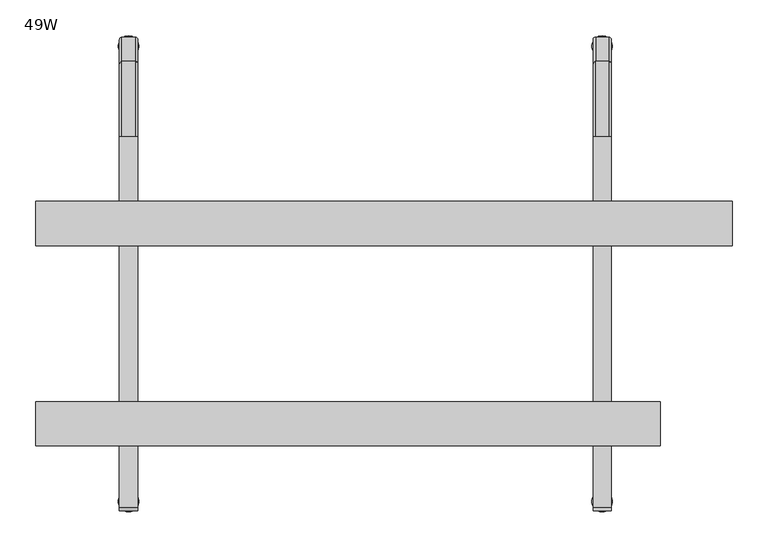
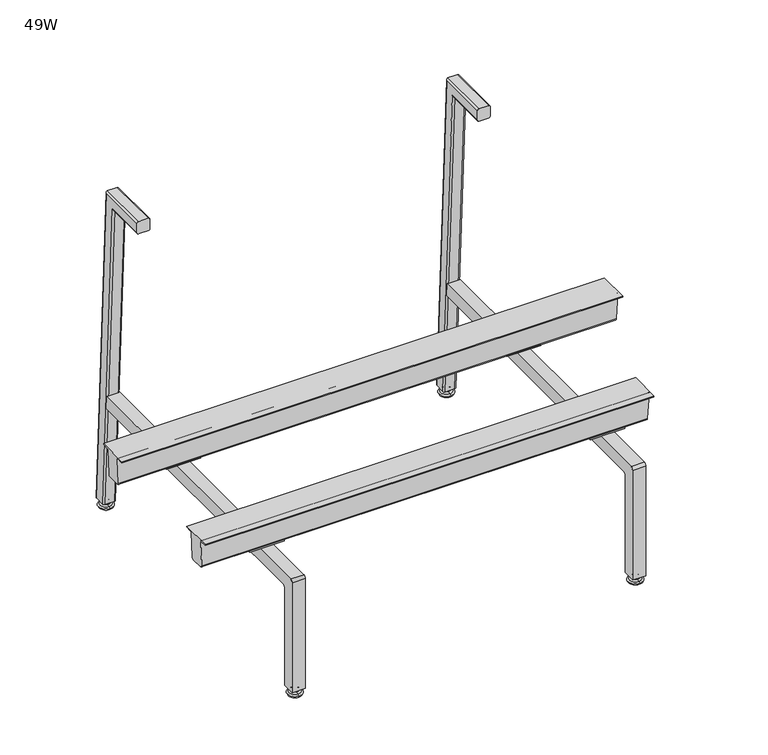
"""IFC4 building model written with IfcOpenShell, lengths in millimetres: furniture geometry, 49W."""

from ifc_helpers import new_model, si_unit, point, frame, frame_2d, origin, place, context, project, spatial, polyline, circle_curve, ellipse_curve, trimmed, segment, composite_curve, outline, extrude, source, transform, mapped, element, save
from ifc_brep_helpers import plane_surface, cylinder_surface, revolved_surface, advanced_brep


def furniture_49w_89318f02(model_context):
    return source(origin(), model_context, "Body", "SolidModel", [
        advanced_brep(
        [(889.0, -645.9431587, 14.8752118), (889.0, -652.5665699, 14.8752118), (889.0, -649.2548643, 14.8752118), (889.0, -645.3562211, 13.858606), (889.0, -653.1535076, 13.858606), (889.0, -641.3242474, 11.2402116), (889.0, -657.1854813, 11.2402116), (889.0, -641.3242474, 8.74896), (889.0, -657.1854813, 8.74896), (889.0, -642.9059165, 8.74896), (889.0, -655.6038121, 8.74896), (889.0, -638.0462975, 5.9432577), (889.0, -660.4634312, 5.9432577), (889.0, -634.8556417, 3.5556814), (889.0, -663.6540869, 3.5556814), (889.0, -636.908533, 0.0), (889.0, -661.6011957, 0.0), (889.0, -649.2548643, 0.0)],
        [
            (0, 1, circle_curve(frame((889.0, -649.2548643, 14.8752118), z_axis=(0.0, 0.0, 1.0), x_axis=(0.0, -1.0, 0.0)), 3.3117056)),
            (1, 2),
            (2, 0),
            (1, 0, circle_curve(frame((889.0, -649.2548643, 14.8752118), z_axis=(0.0, 0.0, 1.0), x_axis=(0.0, -1.0, 0.0)), 3.3117056)),
            (3, 4, circle_curve(frame((889.0, -649.2548643, 13.858606), z_axis=(0.0, 0.0, 1.0), x_axis=(0.0, -1.0, 0.0)), 3.8986433)),
            (4, 1),
            (0, 3),
            (4, 3, circle_curve(frame((889.0, -649.2548643, 13.858606), z_axis=(0.0, 0.0, 1.0), x_axis=(0.0, -1.0, 0.0)), 3.8986433)),
            (5, 6, circle_curve(frame((889.0, -649.2548643, 11.2402116), z_axis=(0.0, 0.0, 1.0), x_axis=(0.0, -1.0, 0.0)), 7.930617)),
            (6, 4),
            (3, 5),
            (6, 5, circle_curve(frame((889.0, -649.2548643, 11.2402116), z_axis=(0.0, 0.0, 1.0), x_axis=(0.0, -1.0, 0.0)), 7.930617)),
            (7, 8, circle_curve(frame((889.0, -649.2548643, 8.74896), z_axis=(0.0, 0.0, 1.0), x_axis=(0.0, -1.0, 0.0)), 7.930617)),
            (8, 6),
            (5, 7),
            (8, 7, circle_curve(frame((889.0, -649.2548643, 8.74896), z_axis=(0.0, 0.0, 1.0), x_axis=(0.0, -1.0, 0.0)), 7.930617)),
            (9, 10, circle_curve(frame((889.0, -649.2548643, 8.74896), z_axis=(0.0, 0.0, 1.0), x_axis=(0.0, -1.0, 0.0)), 6.3489478)),
            (10, 8),
            (7, 9),
            (10, 9, circle_curve(frame((889.0, -649.2548643, 8.74896), z_axis=(0.0, 0.0, 1.0), x_axis=(0.0, -1.0, 0.0)), 6.3489478)),
            (11, 12, circle_curve(frame((889.0, -649.2548643, 5.9432577), z_axis=(0.0, 0.0, 1.0), x_axis=(0.0, -1.0, 0.0)), 11.2085669)),
            (12, 10, circle_curve(frame((889.0, -660.1160571, 10.9529929), z_axis=(1.0, 0.0, 0.0), x_axis=(0.0, -1.0, 0.0)), 5.0217642)),
            (9, 11, circle_curve(frame((889.0, -638.3936715, 10.9529929), z_axis=(1.0, 0.0, 0.0), x_axis=(0.0, 1.0, 0.0)), 5.0217642)),
            (12, 11, circle_curve(frame((889.0, -649.2548643, 5.9432577), z_axis=(0.0, 0.0, 1.0), x_axis=(0.0, -1.0, 0.0)), 11.2085669)),
            (13, 14, circle_curve(frame((889.0, -649.2548643, 3.5556814), z_axis=(0.0, 0.0, 1.0), x_axis=(0.0, -1.0, 0.0)), 14.3992226)),
            (14, 12, circle_curve(frame((889.0, -660.6744794, 2.8995769), z_axis=(-1.0, 0.0, 0.0), x_axis=(0.0, -1.0, 0.0)), 3.050989)),
            (11, 13, circle_curve(frame((889.0, -637.8352492, 2.8995769), z_axis=(-1.0, 0.0, 0.0), x_axis=(0.0, 1.0, 0.0)), 3.050989)),
            (14, 13, circle_curve(frame((889.0, -649.2548643, 3.5556814), z_axis=(0.0, 0.0, 1.0), x_axis=(0.0, -1.0, 0.0)), 14.3992226)),
            (15, 16, circle_curve(frame((889.0, -649.2548643, 0.0), z_axis=(0.0, 0.0, 1.0), x_axis=(0.0, -1.0, 0.0)), 12.3463313)),
            (16, 14),
            (13, 15),
            (16, 15, circle_curve(frame((889.0, -649.2548643, 0.0), z_axis=(0.0, 0.0, 1.0), x_axis=(0.0, -1.0, 0.0)), 12.3463313)),
            (17, 16),
            (15, 17),
        ],
        [
            plane_surface(frame((889.0, -649.2548643, 14.8752118), z_axis=(0.0, 0.0, 1.0), x_axis=(0.0, -1.0, 0.0))),
            revolved_surface(polyline([(889.0, -652.5665699, 14.8752118), (889.0, -653.1535076, 13.858606)]), (889.0, -649.2548643, 0.0), (0.0, 0.0, -1.0)),
            revolved_surface(polyline([(889.0, -653.1535076, 13.858606), (889.0, -657.1854813, 11.2402116)]), (889.0, -649.2548643, 0.0), (0.0, 0.0, -1.0)),
            cylinder_surface(frame((889.0, -649.2548643, 0.0), z_axis=(0.0, 0.0, -1.0), x_axis=(0.0, -1.0, 0.0)), 7.930617),
            plane_surface(frame((889.0, -649.2548643, 8.74896), z_axis=(0.0, 0.0, -1.0), x_axis=(0.0, -1.0, 0.0))),
            revolved_surface(trimmed(ellipse_curve(frame((889.0, -660.1160571, 10.9529929), z_axis=(-1.0, 0.0, 0.0), x_axis=(0.0, -1.0, 0.0)), 5.0217642, 5.0217642), [point((889.0, -655.6038121, 8.74896))], [point((889.0, -660.4634312, 5.9432577))], True, "CARTESIAN"), (889.0, -649.2548643, 0.0), (0.0, 0.0, -1.0)),
            revolved_surface(trimmed(ellipse_curve(frame((889.0, -660.6744794, 2.8995769), z_axis=(1.0, 0.0, 0.0), x_axis=(0.0, -1.0, 0.0)), 3.050989, 3.050989), [point((889.0, -660.4634312, 5.9432577))], [point((889.0, -663.6540869, 3.5556814))], True, "CARTESIAN"), (889.0, -649.2548643, 0.0), (0.0, 0.0, -1.0)),
            revolved_surface(polyline([(889.0, -663.6540869, 3.5556814), (889.0, -661.6011957, 0.0)]), (889.0, -649.2548643, 0.0), (0.0, 0.0, -1.0)),
            plane_surface(frame((889.0, -649.2548643, 0.0), z_axis=(0.0, 0.0, -1.0), x_axis=(0.0, -1.0, 0.0))),
        ],
        [
            (0, [[1, 2, 3]]),
            (0, [[4, -3, -2]]),
            (1, [[5, 6, -1, 7]]),
            (1, [[8, -7, -4, -6]]),
            (2, [[9, 10, -5, 11]]),
            (2, [[12, -11, -8, -10]]),
            (3, [[13, 14, -9, 15]]),
            (3, [[16, -15, -12, -14]]),
            (4, [[17, 18, -13, 19]]),
            (4, [[20, -19, -16, -18]]),
            (5, [[21, 22, -17, 23]]),
            (5, [[24, -23, -20, -22]]),
            (6, [[25, 26, -21, 27]]),
            (6, [[28, -27, -24, -26]]),
            (7, [[29, 30, -25, 31]]),
            (7, [[32, -31, -28, -30]]),
            (8, [[33, -29, 34]]),
            (8, [[-34, -32, -33]]),
        ],
    ),
        advanced_brep(
        [(889.0, -14.3992226, 14.8752118), (889.0, -11.087517, 14.8752118), (889.0, -17.7109282, 14.8752118), (889.0, -10.5005793, 13.858606), (889.0, -18.2978659, 13.858606), (889.0, -6.4686056, 11.2402116), (889.0, -22.3298395, 11.2402116), (889.0, -6.4686056, 8.74896), (889.0, -22.3298395, 8.74896), (889.0, -8.0502748, 8.74896), (889.0, -20.7481704, 8.74896), (889.0, -3.1906557, 5.9432577), (889.0, -25.6077895, 5.9432577), (889.0, 0.0, 3.5556814), (889.0, -28.7984452, 3.5556814), (889.0, -2.0528912, 0.0), (889.0, -26.7455539, 0.0), (889.0, -14.3992226, 0.0)],
        [
            (0, 1),
            (1, 2, circle_curve(frame((889.0, -14.3992226, 14.8752118), z_axis=(0.0, 0.0, 1.0), x_axis=(0.0, 1.0, 0.0)), 3.3117056)),
            (2, 0),
            (2, 1, circle_curve(frame((889.0, -14.3992226, 14.8752118), z_axis=(0.0, 0.0, 1.0), x_axis=(0.0, 1.0, 0.0)), 3.3117056)),
            (1, 3),
            (3, 4, circle_curve(frame((889.0, -14.3992226, 13.858606), z_axis=(0.0, 0.0, 1.0), x_axis=(0.0, 1.0, 0.0)), 3.8986433)),
            (4, 2),
            (4, 3, circle_curve(frame((889.0, -14.3992226, 13.858606), z_axis=(0.0, 0.0, 1.0), x_axis=(0.0, 1.0, 0.0)), 3.8986433)),
            (3, 5),
            (5, 6, circle_curve(frame((889.0, -14.3992226, 11.2402116), z_axis=(0.0, 0.0, 1.0), x_axis=(0.0, 1.0, 0.0)), 7.930617)),
            (6, 4),
            (6, 5, circle_curve(frame((889.0, -14.3992226, 11.2402116), z_axis=(0.0, 0.0, 1.0), x_axis=(0.0, 1.0, 0.0)), 7.930617)),
            (5, 7),
            (7, 8, circle_curve(frame((889.0, -14.3992226, 8.74896), z_axis=(0.0, 0.0, 1.0), x_axis=(0.0, 1.0, 0.0)), 7.930617)),
            (8, 6),
            (8, 7, circle_curve(frame((889.0, -14.3992226, 8.74896), z_axis=(0.0, 0.0, 1.0), x_axis=(0.0, 1.0, 0.0)), 7.930617)),
            (7, 9),
            (9, 10, circle_curve(frame((889.0, -14.3992226, 8.74896), z_axis=(0.0, 0.0, 1.0), x_axis=(0.0, 1.0, 0.0)), 6.3489478)),
            (10, 8),
            (10, 9, circle_curve(frame((889.0, -14.3992226, 8.74896), z_axis=(0.0, 0.0, 1.0), x_axis=(0.0, 1.0, 0.0)), 6.3489478)),
            (9, 11, circle_curve(frame((889.0, -3.5380298, 10.9529929), z_axis=(1.0, 0.0, 0.0), x_axis=(0.0, -1.0, 0.0)), 5.0217642)),
            (11, 12, circle_curve(frame((889.0, -14.3992226, 5.9432577), z_axis=(0.0, 0.0, 1.0), x_axis=(0.0, 1.0, 0.0)), 11.2085669)),
            (12, 10, circle_curve(frame((889.0, -25.2604154, 10.9529929), z_axis=(1.0, 0.0, 0.0), x_axis=(0.0, 1.0, 0.0)), 5.0217642)),
            (12, 11, circle_curve(frame((889.0, -14.3992226, 5.9432577), z_axis=(0.0, 0.0, 1.0), x_axis=(0.0, 1.0, 0.0)), 11.2085669)),
            (11, 13, circle_curve(frame((889.0, -2.9796075, 2.8995769), z_axis=(-1.0, 0.0, 0.0), x_axis=(0.0, -1.0, 0.0)), 3.050989)),
            (13, 14, circle_curve(frame((889.0, -14.3992226, 3.5556814), z_axis=(0.0, 0.0, 1.0), x_axis=(0.0, 1.0, 0.0)), 14.3992226)),
            (14, 12, circle_curve(frame((889.0, -25.8188377, 2.8995769), z_axis=(-1.0, 0.0, 0.0), x_axis=(0.0, 1.0, 0.0)), 3.050989)),
            (14, 13, circle_curve(frame((889.0, -14.3992226, 3.5556814), z_axis=(0.0, 0.0, 1.0), x_axis=(0.0, 1.0, 0.0)), 14.3992226)),
            (13, 15),
            (15, 16, circle_curve(frame((889.0, -14.3992226, 0.0), z_axis=(0.0, 0.0, 1.0), x_axis=(0.0, 1.0, 0.0)), 12.3463313)),
            (16, 14),
            (16, 15, circle_curve(frame((889.0, -14.3992226, 0.0), z_axis=(0.0, 0.0, 1.0), x_axis=(0.0, 1.0, 0.0)), 12.3463313)),
            (15, 17),
            (17, 16),
        ],
        [
            plane_surface(frame((889.0, -14.3992226, 14.8752118), z_axis=(0.0, 0.0, 1.0), x_axis=(0.0, 1.0, 0.0))),
            revolved_surface(polyline([(889.0, -10.5005793, 13.858606), (889.0, -11.087517, 14.8752118)]), (889.0, -14.3992226, 0.0), (0.0, 0.0, 1.0)),
            revolved_surface(polyline([(889.0, -6.4686056, 11.2402116), (889.0, -10.5005793, 13.858606)]), (889.0, -14.3992226, 0.0), (0.0, 0.0, 1.0)),
            cylinder_surface(frame((889.0, -14.3992226, 0.0), z_axis=(0.0, 0.0, 1.0), x_axis=(0.0, 1.0, 0.0)), 7.930617),
            plane_surface(frame((889.0, -14.3992226, 8.74896), z_axis=(0.0, 0.0, -1.0), x_axis=(0.0, 1.0, 0.0))),
            revolved_surface(trimmed(ellipse_curve(frame((889.0, -3.5380298, 10.9529929), z_axis=(-1.0, 0.0, 0.0), x_axis=(0.0, -1.0, 0.0)), 5.0217642, 5.0217642), [point((889.0, -3.1906557, 5.9432577))], [point((889.0, -8.0502748, 8.74896))], True, "CARTESIAN"), (889.0, -14.3992226, 0.0), (0.0, 0.0, 1.0)),
            revolved_surface(trimmed(ellipse_curve(frame((889.0, -2.9796075, 2.8995769), z_axis=(1.0, 0.0, 0.0), x_axis=(0.0, -1.0, 0.0)), 3.050989, 3.050989), [point((889.0, 0.0, 3.5556814))], [point((889.0, -3.1906557, 5.9432577))], True, "CARTESIAN"), (889.0, -14.3992226, 0.0), (0.0, 0.0, 1.0)),
            revolved_surface(polyline([(889.0, -2.0528912, 0.0), (889.0, 0.0, 3.5556814)]), (889.0, -14.3992226, 0.0), (0.0, 0.0, 1.0)),
            plane_surface(frame((889.0, -14.3992226, 0.0), z_axis=(0.0, 0.0, -1.0), x_axis=(0.0, 1.0, 0.0))),
        ],
        [
            (0, [[1, 2, 3]]),
            (0, [[-3, 4, -1]]),
            (1, [[-2, 5, 6, 7]]),
            (1, [[-4, -7, 8, -5]]),
            (2, [[-6, 9, 10, 11]]),
            (2, [[-8, -11, 12, -9]]),
            (3, [[-10, 13, 14, 15]]),
            (3, [[-12, -15, 16, -13]]),
            (4, [[-14, 17, 18, 19]]),
            (4, [[-16, -19, 20, -17]]),
            (5, [[-18, 21, 22, 23]]),
            (5, [[-20, -23, 24, -21]]),
            (6, [[-22, 25, 26, 27]]),
            (6, [[-24, -27, 28, -25]]),
            (7, [[-26, 29, 30, 31]]),
            (7, [[-28, -31, 32, -29]]),
            (8, [[-30, 33, 34]]),
            (8, [[-32, -34, -33]]),
        ],
    ),
        advanced_brep(
        [(228.6, -649.2548643, 14.8752118), (228.6, -652.5665699, 14.8752118), (228.6, -645.9431587, 14.8752118), (228.6, -653.1535076, 13.858606), (228.6, -645.3562211, 13.858606), (228.6, -657.1854813, 11.2402116), (228.6, -641.3242474, 11.2402116), (228.6, -657.1854813, 8.74896), (228.6, -641.3242474, 8.74896), (228.6, -655.6038121, 8.74896), (228.6, -642.9059165, 8.74896), (228.6, -660.4634312, 5.9432577), (228.6, -638.0462975, 5.9432577), (228.6, -663.6540869, 3.5556814), (228.6, -634.8556417, 3.5556814), (228.6, -661.6011957, 0.0), (228.6, -636.908533, 0.0), (228.6, -649.2548643, 0.0)],
        [
            (0, 1),
            (1, 2, circle_curve(frame((228.6, -649.2548643, 14.8752118), z_axis=(0.0, 0.0, 1.0), x_axis=(0.0, -1.0, 0.0)), 3.3117056)),
            (2, 0),
            (2, 1, circle_curve(frame((228.6, -649.2548643, 14.8752118), z_axis=(0.0, 0.0, 1.0), x_axis=(0.0, -1.0, 0.0)), 3.3117056)),
            (1, 3),
            (3, 4, circle_curve(frame((228.6, -649.2548643, 13.858606), z_axis=(0.0, 0.0, 1.0), x_axis=(0.0, -1.0, 0.0)), 3.8986433)),
            (4, 2),
            (4, 3, circle_curve(frame((228.6, -649.2548643, 13.858606), z_axis=(0.0, 0.0, 1.0), x_axis=(0.0, -1.0, 0.0)), 3.8986433)),
            (3, 5),
            (5, 6, circle_curve(frame((228.6, -649.2548643, 11.2402116), z_axis=(0.0, 0.0, 1.0), x_axis=(0.0, -1.0, 0.0)), 7.930617)),
            (6, 4),
            (6, 5, circle_curve(frame((228.6, -649.2548643, 11.2402116), z_axis=(0.0, 0.0, 1.0), x_axis=(0.0, -1.0, 0.0)), 7.930617)),
            (5, 7),
            (7, 8, circle_curve(frame((228.6, -649.2548643, 8.74896), z_axis=(0.0, 0.0, 1.0), x_axis=(0.0, -1.0, 0.0)), 7.930617)),
            (8, 6),
            (8, 7, circle_curve(frame((228.6, -649.2548643, 8.74896), z_axis=(0.0, 0.0, 1.0), x_axis=(0.0, -1.0, 0.0)), 7.930617)),
            (7, 9),
            (9, 10, circle_curve(frame((228.6, -649.2548643, 8.74896), z_axis=(0.0, 0.0, 1.0), x_axis=(0.0, -1.0, 0.0)), 6.3489478)),
            (10, 8),
            (10, 9, circle_curve(frame((228.6, -649.2548643, 8.74896), z_axis=(0.0, 0.0, 1.0), x_axis=(0.0, -1.0, 0.0)), 6.3489478)),
            (9, 11, circle_curve(frame((228.6, -660.1160571, 10.9529929), z_axis=(-1.0, 0.0, 0.0), x_axis=(0.0, 1.0, 0.0)), 5.0217642)),
            (11, 12, circle_curve(frame((228.6, -649.2548643, 5.9432577), z_axis=(0.0, 0.0, 1.0), x_axis=(0.0, -1.0, 0.0)), 11.2085669)),
            (12, 10, circle_curve(frame((228.6, -638.3936715, 10.9529929), z_axis=(-1.0, 0.0, 0.0), x_axis=(0.0, -1.0, 0.0)), 5.0217642)),
            (12, 11, circle_curve(frame((228.6, -649.2548643, 5.9432577), z_axis=(0.0, 0.0, 1.0), x_axis=(0.0, -1.0, 0.0)), 11.2085669)),
            (11, 13, circle_curve(frame((228.6, -660.6744794, 2.8995769), z_axis=(1.0, 0.0, 0.0), x_axis=(0.0, 1.0, 0.0)), 3.050989)),
            (13, 14, circle_curve(frame((228.6, -649.2548643, 3.5556814), z_axis=(0.0, 0.0, 1.0), x_axis=(0.0, -1.0, 0.0)), 14.3992226)),
            (14, 12, circle_curve(frame((228.6, -637.8352492, 2.8995769), z_axis=(1.0, 0.0, 0.0), x_axis=(0.0, -1.0, 0.0)), 3.050989)),
            (14, 13, circle_curve(frame((228.6, -649.2548643, 3.5556814), z_axis=(0.0, 0.0, 1.0), x_axis=(0.0, -1.0, 0.0)), 14.3992226)),
            (13, 15),
            (15, 16, circle_curve(frame((228.6, -649.2548643, 0.0), z_axis=(0.0, 0.0, 1.0), x_axis=(0.0, -1.0, 0.0)), 12.3463313)),
            (16, 14),
            (16, 15, circle_curve(frame((228.6, -649.2548643, 0.0), z_axis=(0.0, 0.0, 1.0), x_axis=(0.0, -1.0, 0.0)), 12.3463313)),
            (15, 17),
            (17, 16),
        ],
        [
            plane_surface(frame((228.6, -649.2548643, 14.8752118), z_axis=(0.0, 0.0, 1.0), x_axis=(0.0, -1.0, 0.0))),
            revolved_surface(polyline([(228.6, -653.1535076, 13.858606), (228.6, -652.5665699, 14.8752118)]), (228.6, -649.2548643, 0.0), (0.0, 0.0, 1.0)),
            revolved_surface(polyline([(228.6, -657.1854813, 11.2402116), (228.6, -653.1535076, 13.858606)]), (228.6, -649.2548643, 0.0), (0.0, 0.0, 1.0)),
            cylinder_surface(frame((228.6, -649.2548643, 0.0), z_axis=(0.0, 0.0, 1.0), x_axis=(0.0, -1.0, 0.0)), 7.930617),
            plane_surface(frame((228.6, -649.2548643, 8.74896), z_axis=(0.0, 0.0, -1.0), x_axis=(0.0, -1.0, 0.0))),
            revolved_surface(trimmed(ellipse_curve(frame((228.6, -660.1160571, 10.9529929), z_axis=(1.0, 0.0, 0.0), x_axis=(0.0, 1.0, 0.0)), 5.0217642, 5.0217642), [point((228.6, -660.4634312, 5.9432577))], [point((228.6, -655.6038121, 8.74896))], True, "CARTESIAN"), (228.6, -649.2548643, 0.0), (0.0, 0.0, 1.0)),
            revolved_surface(trimmed(ellipse_curve(frame((228.6, -660.6744794, 2.8995769), z_axis=(-1.0, 0.0, 0.0), x_axis=(0.0, 1.0, 0.0)), 3.050989, 3.050989), [point((228.6, -663.6540869, 3.5556814))], [point((228.6, -660.4634312, 5.9432577))], True, "CARTESIAN"), (228.6, -649.2548643, 0.0), (0.0, 0.0, 1.0)),
            revolved_surface(polyline([(228.6, -661.6011957, 0.0), (228.6, -663.6540869, 3.5556814)]), (228.6, -649.2548643, 0.0), (0.0, 0.0, 1.0)),
            plane_surface(frame((228.6, -649.2548643, 0.0), z_axis=(0.0, 0.0, -1.0), x_axis=(0.0, -1.0, 0.0))),
        ],
        [
            (0, [[1, 2, 3]]),
            (0, [[-3, 4, -1]]),
            (1, [[-2, 5, 6, 7]]),
            (1, [[-4, -7, 8, -5]]),
            (2, [[-6, 9, 10, 11]]),
            (2, [[-8, -11, 12, -9]]),
            (3, [[-10, 13, 14, 15]]),
            (3, [[-12, -15, 16, -13]]),
            (4, [[-14, 17, 18, 19]]),
            (4, [[-16, -19, 20, -17]]),
            (5, [[-18, 21, 22, 23]]),
            (5, [[-20, -23, 24, -21]]),
            (6, [[-22, 25, 26, 27]]),
            (6, [[-24, -27, 28, -25]]),
            (7, [[-26, 29, 30, 31]]),
            (7, [[-28, -31, 32, -29]]),
            (8, [[-30, 33, 34]]),
            (8, [[-32, -34, -33]]),
        ],
    ),
        advanced_brep(
        [(228.6, -17.7109282, 14.8752118), (228.6, -11.087517, 14.8752118), (228.6, -14.3992226, 14.8752118), (228.6, -18.2978659, 13.858606), (228.6, -10.5005793, 13.858606), (228.6, -22.3298395, 11.2402116), (228.6, -6.4686056, 11.2402116), (228.6, -22.3298395, 8.74896), (228.6, -6.4686056, 8.74896), (228.6, -20.7481704, 8.74896), (228.6, -8.0502748, 8.74896), (228.6, -25.6077895, 5.9432577), (228.6, -3.1906557, 5.9432577), (228.6, -28.7984452, 3.5556814), (228.6, 0.0, 3.5556814), (228.6, -26.7455539, 0.0), (228.6, -2.0528912, 0.0), (228.6, -14.3992226, 0.0)],
        [
            (0, 1, circle_curve(frame((228.6, -14.3992226, 14.8752118), z_axis=(0.0, 0.0, 1.0), x_axis=(0.0, 1.0, 0.0)), 3.3117056)),
            (1, 2),
            (2, 0),
            (1, 0, circle_curve(frame((228.6, -14.3992226, 14.8752118), z_axis=(0.0, 0.0, 1.0), x_axis=(0.0, 1.0, 0.0)), 3.3117056)),
            (3, 4, circle_curve(frame((228.6, -14.3992226, 13.858606), z_axis=(0.0, 0.0, 1.0), x_axis=(0.0, 1.0, 0.0)), 3.8986433)),
            (4, 1),
            (0, 3),
            (4, 3, circle_curve(frame((228.6, -14.3992226, 13.858606), z_axis=(0.0, 0.0, 1.0), x_axis=(0.0, 1.0, 0.0)), 3.8986433)),
            (5, 6, circle_curve(frame((228.6, -14.3992226, 11.2402116), z_axis=(0.0, 0.0, 1.0), x_axis=(0.0, 1.0, 0.0)), 7.930617)),
            (6, 4),
            (3, 5),
            (6, 5, circle_curve(frame((228.6, -14.3992226, 11.2402116), z_axis=(0.0, 0.0, 1.0), x_axis=(0.0, 1.0, 0.0)), 7.930617)),
            (7, 8, circle_curve(frame((228.6, -14.3992226, 8.74896), z_axis=(0.0, 0.0, 1.0), x_axis=(0.0, 1.0, 0.0)), 7.930617)),
            (8, 6),
            (5, 7),
            (8, 7, circle_curve(frame((228.6, -14.3992226, 8.74896), z_axis=(0.0, 0.0, 1.0), x_axis=(0.0, 1.0, 0.0)), 7.930617)),
            (9, 10, circle_curve(frame((228.6, -14.3992226, 8.74896), z_axis=(0.0, 0.0, 1.0), x_axis=(0.0, 1.0, 0.0)), 6.3489478)),
            (10, 8),
            (7, 9),
            (10, 9, circle_curve(frame((228.6, -14.3992226, 8.74896), z_axis=(0.0, 0.0, 1.0), x_axis=(0.0, 1.0, 0.0)), 6.3489478)),
            (11, 12, circle_curve(frame((228.6, -14.3992226, 5.9432577), z_axis=(0.0, 0.0, 1.0), x_axis=(0.0, 1.0, 0.0)), 11.2085669)),
            (12, 10, circle_curve(frame((228.6, -3.5380298, 10.9529929), z_axis=(-1.0, 0.0, 0.0), x_axis=(0.0, -1.0, 0.0)), 5.0217642)),
            (9, 11, circle_curve(frame((228.6, -25.2604154, 10.9529929), z_axis=(-1.0, 0.0, 0.0), x_axis=(0.0, 1.0, 0.0)), 5.0217642)),
            (12, 11, circle_curve(frame((228.6, -14.3992226, 5.9432577), z_axis=(0.0, 0.0, 1.0), x_axis=(0.0, 1.0, 0.0)), 11.2085669)),
            (13, 14, circle_curve(frame((228.6, -14.3992226, 3.5556814), z_axis=(0.0, 0.0, 1.0), x_axis=(0.0, 1.0, 0.0)), 14.3992226)),
            (14, 12, circle_curve(frame((228.6, -2.9796075, 2.8995769), z_axis=(1.0, 0.0, 0.0), x_axis=(0.0, -1.0, 0.0)), 3.050989)),
            (11, 13, circle_curve(frame((228.6, -25.8188377, 2.8995769), z_axis=(1.0, 0.0, 0.0), x_axis=(0.0, 1.0, 0.0)), 3.050989)),
            (14, 13, circle_curve(frame((228.6, -14.3992226, 3.5556814), z_axis=(0.0, 0.0, 1.0), x_axis=(0.0, 1.0, 0.0)), 14.3992226)),
            (15, 16, circle_curve(frame((228.6, -14.3992226, 0.0), z_axis=(0.0, 0.0, 1.0), x_axis=(0.0, 1.0, 0.0)), 12.3463313)),
            (16, 14),
            (13, 15),
            (16, 15, circle_curve(frame((228.6, -14.3992226, 0.0), z_axis=(0.0, 0.0, 1.0), x_axis=(0.0, 1.0, 0.0)), 12.3463313)),
            (17, 16),
            (15, 17),
        ],
        [
            plane_surface(frame((228.6, -14.3992226, 14.8752118), z_axis=(0.0, 0.0, 1.0), x_axis=(0.0, 1.0, 0.0))),
            revolved_surface(polyline([(228.6, -11.087517, 14.8752118), (228.6, -10.5005793, 13.858606)]), (228.6, -14.3992226, 0.0), (0.0, 0.0, -1.0)),
            revolved_surface(polyline([(228.6, -10.5005793, 13.858606), (228.6, -6.4686056, 11.2402116)]), (228.6, -14.3992226, 0.0), (0.0, 0.0, -1.0)),
            cylinder_surface(frame((228.6, -14.3992226, 0.0), z_axis=(0.0, 0.0, -1.0), x_axis=(0.0, 1.0, 0.0)), 7.930617),
            plane_surface(frame((228.6, -14.3992226, 8.74896), z_axis=(0.0, 0.0, -1.0), x_axis=(0.0, 1.0, 0.0))),
            revolved_surface(trimmed(ellipse_curve(frame((228.6, -3.5380298, 10.9529929), z_axis=(1.0, 0.0, 0.0), x_axis=(0.0, -1.0, 0.0)), 5.0217642, 5.0217642), [point((228.6, -8.0502748, 8.74896))], [point((228.6, -3.1906557, 5.9432577))], True, "CARTESIAN"), (228.6, -14.3992226, 0.0), (0.0, 0.0, -1.0)),
            revolved_surface(trimmed(ellipse_curve(frame((228.6, -2.9796075, 2.8995769), z_axis=(-1.0, 0.0, 0.0), x_axis=(0.0, -1.0, 0.0)), 3.050989, 3.050989), [point((228.6, -3.1906557, 5.9432577))], [point((228.6, 0.0, 3.5556814))], True, "CARTESIAN"), (228.6, -14.3992226, 0.0), (0.0, 0.0, -1.0)),
            revolved_surface(polyline([(228.6, 0.0, 3.5556814), (228.6, -2.0528912, 0.0)]), (228.6, -14.3992226, 0.0), (0.0, 0.0, -1.0)),
            plane_surface(frame((228.6, -14.3992226, 0.0), z_axis=(0.0, 0.0, -1.0), x_axis=(0.0, 1.0, 0.0))),
        ],
        [
            (0, [[1, 2, 3]]),
            (0, [[4, -3, -2]]),
            (1, [[5, 6, -1, 7]]),
            (1, [[8, -7, -4, -6]]),
            (2, [[9, 10, -5, 11]]),
            (2, [[12, -11, -8, -10]]),
            (3, [[13, 14, -9, 15]]),
            (3, [[16, -15, -12, -14]]),
            (4, [[17, 18, -13, 19]]),
            (4, [[20, -19, -16, -18]]),
            (5, [[21, 22, -17, 23]]),
            (5, [[24, -23, -20, -22]]),
            (6, [[25, 26, -21, 27]]),
            (6, [[28, -27, -24, -26]]),
            (7, [[29, 30, -25, 31]]),
            (7, [[32, -31, -28, -30]]),
            (8, [[33, -29, 34]]),
            (8, [[-34, -32, -33]]),
        ],
    ),
        advanced_brep(
        [(1070.2369679, -230.7462837, 302.386969), (99.3135131, -230.7462837, 302.386969), (99.246985, -230.7462837, 304.2920853), (1070.3701866, -230.7462837, 304.2920853), (99.246985, -292.4154368, 304.2920853), (1070.3701866, -292.4154368, 304.2920853), (99.3135131, -292.4154368, 302.386969), (1070.2369679, -292.4154368, 302.386969), (99.3135131, -278.2027199, 302.386969), (1070.2369679, -278.2027199, 302.386969), (99.3459283, -277.2744696, 301.4587187), (1070.1720583, -277.2744696, 301.4587187), (101.1356016, -277.2744696, 250.2091797), (1066.5883415, -277.2744696, 250.2091797), (101.2647214, -273.576963, 246.5116732), (1066.3297866, -273.576963, 246.5116732), (101.2647214, -249.7778777, 246.5116732), (1066.3297866, -249.7778777, 246.5116732), (101.1305374, -245.9353512, 250.3541997), (1066.5984822, -245.9353512, 250.3541997), (99.3489926, -245.9353512, 301.370969), (1070.1659223, -245.9353512, 301.370969), (99.3135131, -244.9193512, 302.386969), (1070.2369679, -244.9193512, 302.386969)],
        [
            (0, 1),
            (1, 2),
            (2, 3),
            (3, 0),
            (2, 4),
            (4, 5),
            (5, 3),
            (4, 6),
            (6, 7),
            (7, 5),
            (6, 8),
            (8, 9),
            (9, 7),
            (8, 10, ellipse_curve(frame((99.3459283, -278.2027199, 301.4587187), z_axis=(-0.9993908270190957, 0.0, -0.03489949670250283), x_axis=(-0.03489949670250301, 0.0, 0.9993908270190957)), 0.9288161, 0.9282503)),
            (10, 11),
            (11, 9, ellipse_curve(frame((1070.1720583, -278.2027199, 301.4587187), z_axis=(0.9975640502598248, 0.0, -0.06975647374411835), x_axis=(-0.06975647374411759, 0.0, -0.9975640502598248)), 0.930517, 0.9282503)),
            (10, 12),
            (12, 13),
            (13, 11),
            (12, 14, ellipse_curve(frame((101.1356016, -273.576963, 250.2091797), z_axis=(0.9993908270190957, 0.0, 0.03489949670250283), x_axis=(0.03489949670250301, 0.0, -0.9993908270190957)), 3.6997604, 3.6975066)),
            (14, 15),
            (15, 13, ellipse_curve(frame((1066.5883415, -273.576963, 250.2091797), z_axis=(-0.9975640502598248, 0.0, 0.06975647374411835), x_axis=(0.06975647374411759, 0.0, 0.9975640502598248)), 3.7065355, 3.6975066)),
            (14, 16),
            (16, 17),
            (17, 15),
            (16, 18, ellipse_curve(frame((101.1305374, -249.7778777, 250.3541997), z_axis=(0.9993908270190957, 0.0, 0.03489949670250283), x_axis=(0.03489949670250301, 0.0, -0.9993908270190957)), 3.8448687, 3.8425266)),
            (18, 19),
            (19, 17, ellipse_curve(frame((1066.5984822, -249.7778777, 250.3541997), z_axis=(-0.9975640502598248, 0.0, 0.06975647374411835), x_axis=(0.06975647374411759, 0.0, 0.9975640502598248)), 3.8519096, 3.8425266)),
            (18, 20),
            (20, 21),
            (21, 19),
            (20, 22, ellipse_curve(frame((99.3489926, -244.9193512, 301.370969), z_axis=(-0.9993908270190957, 0.0, -0.03489949670250283), x_axis=(-0.03489949670250301, 0.0, 0.9993908270190957)), 1.0166193, 1.016)),
            (22, 23),
            (23, 21, ellipse_curve(frame((1070.1659223, -244.9193512, 301.370969), z_axis=(0.9975640502598248, 0.0, -0.06975647374411835), x_axis=(-0.06975647374411759, 0.0, -0.9975640502598248)), 1.018481, 1.016)),
            (0, 23),
            (22, 1),
        ],
        [
            plane_surface(frame((1104.9, -230.7462837, 302.386969), z_axis=(0.0, 1.0, 0.0), x_axis=(-1.0, 0.0, 0.0))),
            plane_surface(frame((1104.9, -230.7462837, 304.2920853), z_axis=(0.0, 0.0, 1.0), x_axis=(-1.0, 0.0, 0.0))),
            plane_surface(frame((1104.9, -292.4154368, 304.2920853), z_axis=(0.0, -1.0, 0.0), x_axis=(-1.0, 0.0, 0.0))),
            plane_surface(frame((1104.9, -292.4154368, 302.386969), z_axis=(0.0, 0.0, -1.0), x_axis=(-1.0, 0.0, 0.0))),
            revolved_surface(polyline([(99.31351308558081, -279.1309702, 301.4587187), (1070.2369679, -279.1309702, 301.4587187)]), (69.85, -278.2027199, 301.4587187), (-1.0, 0.0, 0.0)),
            plane_surface(frame((1104.9, -277.2744696, 301.4587187), z_axis=(0.0, -1.0, 0.0), x_axis=(-1.0, 0.0, 0.0))),
            cylinder_surface(frame((69.85, -273.576963, 250.2091797), z_axis=(1.0, 0.0, 0.0), x_axis=(0.0, -1.0, 0.0)), 3.6975066),
            plane_surface(frame((1104.9, -273.576963, 246.5116732), z_axis=(0.0, 0.0, -1.0), x_axis=(-1.0, 0.0, 0.0))),
            cylinder_surface(frame((69.85, -249.7778777, 250.3541997), z_axis=(1.0, 0.0, 0.0), x_axis=(0.0, -1.0, 0.0)), 3.8425266),
            plane_surface(frame((1104.9, -245.9353512, 250.3541997), z_axis=(0.0, 1.0, 0.0), x_axis=(-1.0, 0.0, 0.0))),
            revolved_surface(polyline([(99.31351309809196, -245.93535119999999, 301.370969), (1070.2369679431351, -245.93535119999999, 301.370969)]), (69.85, -244.9193512, 301.370969), (-1.0, 0.0, 0.0)),
            plane_surface(frame((1104.9, -244.9193512, 302.386969), z_axis=(0.0, 0.0, -1.0), x_axis=(-1.0, 0.0, 0.0))),
            plane_surface(frame((99.246985, -115.8078763, 304.2920853), z_axis=(-0.9993908270190957, 0.0, -0.03489949670250283), x_axis=(0.0, -1.0, 0.0))),
            plane_surface(frame((1063.2863866, -115.8078763, 202.9890258), z_axis=(0.9975640502598248, 0.0, -0.06975647374411835), x_axis=(0.0, -1.0, 0.0))),
        ],
        [
            (0, [[1, 2, 3, 4]]),
            (1, [[-3, 5, 6, 7]]),
            (2, [[-6, 8, 9, 10]]),
            (3, [[-9, 11, 12, 13]]),
            (4, [[-12, 14, 15, 16]]),
            (5, [[-15, 17, 18, 19]]),
            (6, [[-18, 20, 21, 22]]),
            (7, [[-21, 23, 24, 25]]),
            (8, [[-24, 26, 27, 28]]),
            (9, [[-27, 29, 30, 31]]),
            (10, [[-30, 32, 33, 34]]),
            (11, [[-1, 35, -33, 36]]),
            (12, [[-2, -36, -32, -29, -26, -23, -20, -17, -14, -11, -8, -5]]),
            (13, [[-4, -7, -10, -13, -16, -19, -22, -25, -28, -31, -34, -35]]),
        ],
    ),
        advanced_brep(
        [(99.3135131, -510.0447355, 302.386969), (99.246985, -510.0447355, 304.2920853), (969.9476626, -510.0447355, 304.2920853), (969.8144439, -510.0447355, 302.386969), (99.246985, -571.7138886, 304.2920853), (969.9476626, -571.7138886, 304.2920853), (99.3135131, -571.7138886, 302.386969), (969.8144439, -571.7138886, 302.386969), (99.3135131, -557.5011716, 302.386969), (969.8144439, -557.5011716, 302.386969), (99.3459283, -556.5729213, 301.4587187), (969.7495343, -556.5729213, 301.4587187), (101.1356016, -556.5729213, 250.2091797), (966.1658175, -556.5729213, 250.2091797), (101.2647214, -552.8754147, 246.5116732), (965.9072626, -552.8754147, 246.5116732), (101.2647214, -529.0763295, 246.5116732), (965.9072626, -529.0763295, 246.5116732), (101.1305374, -525.2338029, 250.3541997), (966.1759582, -525.2338029, 250.3541997), (99.3489926, -525.2338029, 301.370969), (969.7433983, -525.2338029, 301.370969), (99.3135131, -524.2178029, 302.386969), (969.8144439, -524.2178029, 302.386969)],
        [
            (0, 1),
            (1, 2),
            (2, 3),
            (3, 0),
            (1, 4),
            (4, 5),
            (5, 2),
            (4, 6),
            (6, 7),
            (7, 5),
            (6, 8),
            (8, 9),
            (9, 7),
            (8, 10, ellipse_curve(frame((99.3459283, -557.5011716, 301.4587187), z_axis=(-0.9993908270190957, 0.0, -0.03489949670250283), x_axis=(-0.03489949670250301, 0.0, 0.9993908270190957)), 0.9288161, 0.9282503)),
            (10, 11),
            (11, 9, ellipse_curve(frame((969.7495343, -557.5011716, 301.4587187), z_axis=(0.9975640502598254, 0.0, -0.06975647374410987), x_axis=(-0.06975647374410697, 0.0, -0.9975640502598254)), 0.930517, 0.9282503)),
            (10, 12),
            (12, 13),
            (13, 11),
            (12, 14, ellipse_curve(frame((101.1356016, -552.8754147, 250.2091797), z_axis=(0.9993908270190957, 0.0, 0.03489949670250283), x_axis=(0.03489949670250301, 0.0, -0.9993908270190957)), 3.6997604, 3.6975066)),
            (14, 15),
            (15, 13, ellipse_curve(frame((966.1658175, -552.8754147, 250.2091797), z_axis=(-0.9975640502598254, 0.0, 0.06975647374410987), x_axis=(0.06975647374410697, 0.0, 0.9975640502598254)), 3.7065355, 3.6975066)),
            (14, 16),
            (16, 17),
            (17, 15),
            (16, 18, ellipse_curve(frame((101.1305374, -529.0763295, 250.3541997), z_axis=(0.9993908270190957, 0.0, 0.03489949670250283), x_axis=(0.03489949670250301, 0.0, -0.9993908270190957)), 3.8448687, 3.8425266)),
            (18, 19),
            (19, 17, ellipse_curve(frame((966.1759582, -529.0763295, 250.3541997), z_axis=(-0.9975640502598254, 0.0, 0.06975647374410987), x_axis=(0.06975647374410697, 0.0, 0.9975640502598254)), 3.8519096, 3.8425266)),
            (18, 20),
            (20, 21),
            (21, 19),
            (20, 22, ellipse_curve(frame((99.3489926, -524.2178029, 301.370969), z_axis=(-0.9993908270190957, 0.0, -0.03489949670250283), x_axis=(-0.03489949670250301, 0.0, 0.9993908270190957)), 1.0166193, 1.016)),
            (22, 23),
            (23, 21, ellipse_curve(frame((969.7433983, -524.2178029, 301.370969), z_axis=(0.9975640502598254, 0.0, -0.06975647374410987), x_axis=(-0.06975647374410697, 0.0, -0.9975640502598254)), 1.018481, 1.016)),
            (22, 0),
            (3, 23),
        ],
        [
            plane_surface(frame((1104.9, -510.0447355, 302.386969), z_axis=(0.0, 1.0, 0.0), x_axis=(-1.0, 0.0, 0.0))),
            plane_surface(frame((1104.9, -510.0447355, 304.2920853), z_axis=(0.0, 0.0, 1.0), x_axis=(-1.0, 0.0, 0.0))),
            plane_surface(frame((1104.9, -571.7138886, 304.2920853), z_axis=(0.0, -1.0, 0.0), x_axis=(-1.0, 0.0, 0.0))),
            plane_surface(frame((1104.9, -571.7138886, 302.386969), z_axis=(0.0, 0.0, -1.0), x_axis=(-1.0, 0.0, 0.0))),
            revolved_surface(polyline([(99.31351308558078, -558.4294219, 301.4587187), (969.8144439, -558.4294219, 301.4587187)]), (622.3, -557.5011716, 301.4587187), (-1.0, 0.0, 0.0)),
            plane_surface(frame((1104.9, -556.5729213, 301.4587187), z_axis=(0.0, -1.0, 0.0), x_axis=(-1.0, 0.0, 0.0))),
            cylinder_surface(frame((622.3, -552.8754147, 250.2091797), z_axis=(1.0, 0.0, 0.0), x_axis=(0.0, -1.0, 0.0)), 3.6975066),
            plane_surface(frame((1104.9, -552.8754147, 246.5116732), z_axis=(0.0, 0.0, -1.0), x_axis=(-1.0, 0.0, 0.0))),
            cylinder_surface(frame((622.3, -529.0763295, 250.3541997), z_axis=(1.0, 0.0, 0.0), x_axis=(0.0, -1.0, 0.0)), 3.8425266),
            plane_surface(frame((1104.9, -525.2338029, 250.3541997), z_axis=(0.0, 1.0, 0.0), x_axis=(-1.0, 0.0, 0.0))),
            revolved_surface(polyline([(99.3135130980919, -525.2338029, 301.370969), (969.8144439431353, -525.2338029, 301.370969)]), (622.3, -524.2178029, 301.370969), (-1.0, 0.0, 0.0)),
            plane_surface(frame((1104.9, -524.2178029, 302.386969), z_axis=(0.0, 0.0, -1.0), x_axis=(-1.0, 0.0, 0.0))),
            plane_surface(frame((99.246985, -115.8078763, 304.2920853), z_axis=(-0.9993908270190957, 0.0, -0.03489949670250283), x_axis=(0.0, -1.0, 0.0))),
            plane_surface(frame((962.8638626, -382.8099024, 202.9890258), z_axis=(0.9975640502598254, 0.0, -0.06975647374410987), x_axis=(0.0, -1.0, 0.0))),
        ],
        [
            (0, [[1, 2, 3, 4]]),
            (1, [[5, 6, 7, -2]]),
            (2, [[8, 9, 10, -6]]),
            (3, [[11, 12, 13, -9]]),
            (4, [[14, 15, 16, -12]]),
            (5, [[17, 18, 19, -15]]),
            (6, [[20, 21, 22, -18]]),
            (7, [[23, 24, 25, -21]]),
            (8, [[26, 27, 28, -24]]),
            (9, [[29, 30, 31, -27]]),
            (10, [[32, 33, 34, -30]]),
            (11, [[35, -4, 36, -33]]),
            (12, [[-1, -35, -32, -29, -26, -23, -20, -17, -14, -11, -8, -5]]),
            (13, [[-3, -7, -10, -13, -16, -19, -22, -25, -28, -31, -34, -36]]),
        ],
    ),
        extrude(outline(polyline([(195.4283329, -248.9073845), (262.1033329, -248.9073845), (262.1033329, -274.3074087), (195.4283329, -274.3074087), (195.4283329, -248.9073845)])), frame((0.0, 0.0, 244.2209457), z_axis=(0.0, 0.0, 1.0), x_axis=(1.0, 0.0, 0.0)), (0.0, 0.0, 1.0), 3.0479971),
        extrude(outline(polyline([(855.8284298, -248.9073845), (922.5034782, -248.9073845), (922.5034782, -274.3074087), (855.8284298, -274.3074087), (855.8284298, -248.9073845)])), frame((0.0, 0.0, 244.2209215), z_axis=(0.0, 0.0, 1.0), x_axis=(1.0, 0.0, 0.0)), (0.0, 0.0, 1.0), 3.0480213),
        extrude(outline(polyline([(262.1033329, -555.208293), (195.4283329, -555.208293), (195.4283329, -525.8562555), (262.1033329, -525.8562555), (262.1033329, -555.208293)])), frame((0.0, 0.0, 244.1713364), z_axis=(0.0, 0.0, 1.0), x_axis=(1.0, 0.0, 0.0)), (0.0, 0.0, 1.0), 3.0976065),
        extrude(outline(polyline([(922.5034782, -555.208293), (855.8284298, -555.208293), (855.8284298, -525.8562555), (922.5034782, -525.8562555), (922.5034782, -555.208293)])), frame((0.0, 0.0, 244.1713121), z_axis=(0.0, 0.0, 1.0), x_axis=(1.0, 0.0, 0.0)), (0.0, 0.0, 1.0), 3.0976307),
        advanced_brep(
        [(879.856, -140.07523, 663.2784096), (876.3, -140.07523, 659.7224096), (876.3, -140.07523, 641.490753), (879.856, -140.07523, 637.934753), (898.1815341, -140.07523, 637.934753), (901.7, -140.07523, 641.4532189), (901.7, -140.07523, 659.8422341), (898.2638245, -140.07523, 663.2784096), (898.2638245, -35.6046233, 663.2784096), (879.856, -35.6046233, 663.2784096), (901.7, -38.865432, 659.8422341), (901.7, -56.3159558, 641.4532189), (901.7, -23.4408219, 14.1582936), (901.7, -5.0770082, 15.1207003), (898.1815341, -59.6548553, 637.934753), (879.856, -59.6548553, 637.934753), (876.3, -56.2803373, 641.490753), (876.3, -38.9791413, 659.7224096), (876.3, -5.1966685, 15.1144291), (876.3, -23.4033392, 14.160258), (879.856, -1.6455419, 15.3005358), (898.2638245, -1.6455419, 15.3005358), (898.1815341, -26.9544658, 13.9741513), (879.856, -26.9544658, 13.9741513)],
        [
            (0, 1, circle_curve(frame((879.856, -140.07523, 659.7224096), z_axis=(0.0, -1.0, 0.0), x_axis=(0.0, 0.0, 1.0)), 3.556)),
            (1, 2),
            (2, 3, circle_curve(frame((879.856, -140.07523, 641.490753), z_axis=(0.0, -1.0, 0.0), x_axis=(0.0, 0.0, 1.0)), 3.556)),
            (3, 4),
            (4, 5, circle_curve(frame((898.1815341, -140.07523, 641.4532189), z_axis=(0.0, -1.0, 0.0), x_axis=(0.0, 0.0, 1.0)), 3.5184659)),
            (5, 6),
            (6, 7, circle_curve(frame((898.2638245, -140.07523, 659.8422341), z_axis=(0.0, -1.0, 0.0), x_axis=(0.0, 0.0, 1.0)), 3.4361755)),
            (7, 0),
            (7, 8),
            (8, 9),
            (9, 0),
            (6, 10),
            (10, 8, ellipse_curve(frame((898.2638245, -38.865432, 659.8422341), z_axis=(0.0, -0.7253743710122881, 0.6883545756937534), x_axis=(0.0, -0.6883545756937536, -0.725374371012288)), 4.7371062, 3.4361755)),
            (5, 11),
            (11, 12),
            (12, 13),
            (13, 10),
            (4, 14),
            (14, 11, ellipse_curve(frame((898.1815341, -56.3159558, 641.4532189), z_axis=(0.0, -0.7253743710122881, 0.6883545756937534), x_axis=(0.0, -0.6883545756937536, -0.725374371012288)), 4.8505517, 3.5184659)),
            (3, 15),
            (15, 14),
            (2, 16),
            (16, 15, ellipse_curve(frame((879.856, -56.2803373, 641.490753), z_axis=(0.0, -0.7253743710122881, 0.6883545756937534), x_axis=(0.0, -0.6883545756937536, -0.725374371012288)), 4.9022962, 3.556)),
            (1, 17),
            (17, 18),
            (18, 19),
            (19, 16),
            (9, 17, ellipse_curve(frame((879.856, -38.9791413, 659.7224096), z_axis=(0.0, -0.7253743710122881, 0.6883545756937534), x_axis=(0.0, -0.6883545756937536, -0.725374371012288)), 4.9022962, 3.556)),
            (20, 21),
            (21, 13, circle_curve(frame((898.2638245, -5.0770082, 15.1207003), z_axis=(0.0, 0.0523359562429453, -0.9986295347545738), x_axis=(0.0, 0.9986295347545738, 0.0523359562429453)), 3.4361755)),
            (12, 22, circle_curve(frame((898.1815341, -23.4408219, 14.1582936), z_axis=(0.0, 0.0523359562429453, -0.9986295347545738), x_axis=(0.0, 0.9986295347545738, 0.0523359562429453)), 3.5184659)),
            (22, 23),
            (23, 19, circle_curve(frame((879.856, -23.4033392, 14.160258), z_axis=(0.0, 0.0523359562429453, -0.9986295347545738), x_axis=(0.0, 0.9986295347545738, 0.0523359562429453)), 3.556)),
            (18, 20, circle_curve(frame((879.856, -5.1966685, 15.1144291), z_axis=(0.0, 0.0523359562429453, -0.9986295347545738), x_axis=(0.0, 0.9986295347545738, 0.0523359562429453)), 3.556)),
            (8, 21),
            (20, 9),
            (14, 22),
            (15, 23),
        ],
        [
            plane_surface(frame((901.7, -140.07523, 663.2784096), z_axis=(0.0, -1.0, 0.0), x_axis=(1.0, 0.0, 0.0))),
            plane_surface(frame((898.2638245, -140.07523, 663.2784096), z_axis=(0.0, 0.0, 1.0), x_axis=(0.0, 1.0, 0.0))),
            cylinder_surface(frame((898.2638245, -140.07523, 659.8422341), z_axis=(0.0, -1.0, 0.0), x_axis=(0.0, 0.0, 1.0)), 3.4361755),
            plane_surface(frame((901.7, -140.07523, 641.4532189), z_axis=(1.0, 0.0, 0.0), x_axis=(0.0, 1.0, 0.0))),
            cylinder_surface(frame((898.1815341, -140.07523, 641.4532189), z_axis=(0.0, -1.0, 0.0), x_axis=(0.0, 0.0, 1.0)), 3.5184659),
            plane_surface(frame((879.856, -140.07523, 637.934753), z_axis=(0.0, 0.0, -1.0), x_axis=(0.0, 1.0, 0.0))),
            cylinder_surface(frame((879.856, -140.07523, 641.490753), z_axis=(0.0, -1.0, 0.0), x_axis=(0.0, 0.0, 1.0)), 3.556),
            plane_surface(frame((876.3, -140.07523, 659.7224096), z_axis=(-1.0, 0.0, 0.0), x_axis=(0.0, 1.0, 0.0))),
            cylinder_surface(frame((879.856, -140.07523, 659.7224096), z_axis=(0.0, -1.0, 0.0), x_axis=(0.0, 0.0, 1.0)), 3.556),
            plane_surface(frame((901.7, -1.6455419, 15.3005358), z_axis=(0.0, 0.0523359562429453, -0.9986295347545738), x_axis=(1.0, 0.0, 0.0))),
            plane_surface(frame((898.2638245, -35.6046233, 663.2784096), z_axis=(0.0, 0.9986295347545738, 0.05233595624294533), x_axis=(0.0, 0.05233595624294533, -0.9986295347545738))),
            cylinder_surface(frame((898.2638245, -39.0360896, 663.098574), z_axis=(0.0, -0.0523359562429453, 0.9986295347545738), x_axis=(0.0, 0.9986295347545738, 0.0523359562429453)), 3.4361755),
            cylinder_surface(frame((898.1815341, -57.3999032, 662.1361674), z_axis=(0.0, -0.0523359562429453, 0.9986295347545738), x_axis=(0.0, 0.9986295347545738, 0.0523359562429453)), 3.5184659),
            plane_surface(frame((879.856, -59.6548553, 637.934753), z_axis=(0.0, -0.9986295347545738, -0.05233595624294535), x_axis=(0.0, 0.05233595624294535, -0.9986295347545738))),
            cylinder_surface(frame((879.856, -57.3624206, 662.1381317), z_axis=(0.0, -0.0523359562429453, 0.9986295347545738), x_axis=(0.0, 0.9986295347545738, 0.0523359562429453)), 3.556),
            cylinder_surface(frame((879.856, -39.1557499, 663.0923029), z_axis=(0.0, -0.0523359562429453, 0.9986295347545738), x_axis=(0.0, 0.9986295347545738, 0.0523359562429453)), 3.556),
        ],
        [
            (0, [[1, 2, 3, 4, 5, 6, 7, 8]]),
            (1, [[-8, 9, 10, 11]]),
            (2, [[-7, 12, 13, -9]]),
            (3, [[-6, 14, 15, 16, 17, -12]]),
            (4, [[-5, 18, 19, -14]]),
            (5, [[-4, 20, 21, -18]]),
            (6, [[-3, 22, 23, -20]]),
            (7, [[-2, 24, 25, 26, 27, -22]]),
            (8, [[-1, -11, 28, -24]]),
            (9, [[29, 30, -16, 31, 32, 33, -26, 34]]),
            (10, [[-10, 35, -29, 36]]),
            (11, [[-13, -17, -30, -35]]),
            (12, [[-19, 37, -31, -15]]),
            (13, [[-21, 38, -32, -37]]),
            (14, [[-23, -27, -33, -38]]),
            (15, [[-28, -36, -34, -25]]),
        ],
    ),
        advanced_brep(
        [(237.744, -140.07523, 663.2784096), (219.3361755, -140.07523, 663.2784096), (215.9, -140.07523, 659.8422341), (215.9, -140.07523, 641.4532189), (219.4184659, -140.07523, 637.934753), (237.744, -140.07523, 637.934753), (241.3, -140.07523, 641.490753), (241.3, -140.07523, 659.7224096), (237.744, -35.6046233, 663.2784096), (219.3361755, -35.6046233, 663.2784096), (215.9, -38.865432, 659.8422341), (215.9, -5.0770082, 15.1207003), (215.9, -23.4408219, 14.1582936), (215.9, -56.3159558, 641.4532189), (219.4184659, -59.6548553, 637.934753), (237.744, -59.6548553, 637.934753), (241.3, -56.2803373, 641.490753), (241.3, -23.4033392, 14.160258), (241.3, -5.1966685, 15.1144291), (241.3, -38.9791413, 659.7224096), (237.744, -1.6455419, 15.3005358), (237.744, -26.9544658, 13.9741513), (219.4184659, -26.9544658, 13.9741513), (219.3361755, -1.6455419, 15.3005358)],
        [
            (0, 1),
            (1, 2, circle_curve(frame((219.3361755, -140.07523, 659.8422341), z_axis=(0.0, -1.0, 0.0), x_axis=(0.0, 0.0, -1.0)), 3.4361755)),
            (2, 3),
            (3, 4, circle_curve(frame((219.4184659, -140.07523, 641.4532189), z_axis=(0.0, -1.0, 0.0), x_axis=(0.0, 0.0, -1.0)), 3.5184659)),
            (4, 5),
            (5, 6, circle_curve(frame((237.744, -140.07523, 641.490753), z_axis=(0.0, -1.0, 0.0), x_axis=(0.0, 0.0, -1.0)), 3.556)),
            (6, 7),
            (7, 0, circle_curve(frame((237.744, -140.07523, 659.7224096), z_axis=(0.0, -1.0, 0.0), x_axis=(0.0, 0.0, -1.0)), 3.556)),
            (0, 8),
            (8, 9),
            (9, 1),
            (9, 10, ellipse_curve(frame((219.3361755, -38.865432, 659.8422341), z_axis=(0.0, -0.7253743710122893, 0.6883545756937522), x_axis=(0.0, -0.6883545756937522, -0.7253743710122893)), 4.7371062, 3.4361755)),
            (10, 2),
            (10, 11),
            (11, 12),
            (12, 13),
            (13, 3),
            (13, 14, ellipse_curve(frame((219.4184659, -56.3159558, 641.4532189), z_axis=(0.0, -0.7253743710122893, 0.6883545756937522), x_axis=(0.0, -0.6883545756937522, -0.7253743710122893)), 4.8505517, 3.5184659)),
            (14, 4),
            (14, 15),
            (15, 5),
            (15, 16, ellipse_curve(frame((237.744, -56.2803373, 641.490753), z_axis=(0.0, -0.7253743710122893, 0.6883545756937522), x_axis=(0.0, -0.6883545756937522, -0.7253743710122893)), 4.9022962, 3.556)),
            (16, 6),
            (16, 17),
            (17, 18),
            (18, 19),
            (19, 7),
            (19, 8, ellipse_curve(frame((237.744, -38.9791413, 659.7224096), z_axis=(0.0, -0.7253743710122893, 0.6883545756937522), x_axis=(0.0, -0.6883545756937522, -0.7253743710122893)), 4.9022962, 3.556)),
            (20, 18, circle_curve(frame((237.744, -5.1966685, 15.1144291), z_axis=(0.0, 0.05233595624294532, -0.9986295347545738), x_axis=(0.0, -0.9986295347545738, -0.05233595624294532)), 3.556)),
            (17, 21, circle_curve(frame((237.744, -23.4033392, 14.160258), z_axis=(0.0, 0.05233595624294532, -0.9986295347545738), x_axis=(0.0, -0.9986295347545738, -0.05233595624294532)), 3.556)),
            (21, 22),
            (22, 12, circle_curve(frame((219.4184659, -23.4408219, 14.1582936), z_axis=(0.0, 0.05233595624294532, -0.9986295347545738), x_axis=(0.0, -0.9986295347545738, -0.05233595624294532)), 3.5184659)),
            (11, 23, circle_curve(frame((219.3361755, -5.0770082, 15.1207003), z_axis=(0.0, 0.05233595624294532, -0.9986295347545738), x_axis=(0.0, -0.9986295347545738, -0.05233595624294532)), 3.4361755)),
            (23, 20),
            (8, 20),
            (23, 9),
            (22, 14),
            (21, 15),
        ],
        [
            plane_surface(frame((215.9, -140.07523, 663.2784096), z_axis=(0.0, -1.0, 0.0), x_axis=(-1.0, 0.0, 0.0))),
            plane_surface(frame((237.744, -140.07523, 663.2784096), z_axis=(0.0, 0.0, 1.0), x_axis=(0.0, 1.0, 0.0))),
            cylinder_surface(frame((219.3361755, -140.07523, 659.8422341), z_axis=(0.0, -1.0, 0.0), x_axis=(0.0, 0.0, -1.0)), 3.4361755),
            plane_surface(frame((215.9, -140.07523, 659.8422341), z_axis=(-1.0, 0.0, 0.0), x_axis=(0.0, 1.0, 0.0))),
            cylinder_surface(frame((219.4184659, -140.07523, 641.4532189), z_axis=(0.0, -1.0, 0.0), x_axis=(0.0, 0.0, -1.0)), 3.5184659),
            plane_surface(frame((219.4184659, -140.07523, 637.934753), z_axis=(0.0, 0.0, -1.0), x_axis=(0.0, 1.0, 0.0))),
            cylinder_surface(frame((237.744, -140.07523, 641.490753), z_axis=(0.0, -1.0, 0.0), x_axis=(0.0, 0.0, -1.0)), 3.556),
            plane_surface(frame((241.3, -140.07523, 641.490753), z_axis=(1.0, 0.0, 0.0), x_axis=(0.0, 1.0, 0.0))),
            cylinder_surface(frame((237.744, -140.07523, 659.7224096), z_axis=(0.0, -1.0, 0.0), x_axis=(0.0, 0.0, -1.0)), 3.556),
            plane_surface(frame((215.9, -1.6455419, 15.3005358), z_axis=(0.0, 0.05233595624294531, -0.9986295347545738), x_axis=(-1.0, 0.0, 0.0))),
            plane_surface(frame((237.744, -35.6046233, 663.2784096), z_axis=(0.0, 0.9986295347545738, 0.05233595624294531), x_axis=(0.0, 0.05233595624294531, -0.9986295347545738))),
            cylinder_surface(frame((219.3361755, -39.0360896, 663.098574), z_axis=(0.0, -0.05233595624294532, 0.9986295347545738), x_axis=(0.0, -0.9986295347545738, -0.05233595624294532)), 3.4361755),
            cylinder_surface(frame((219.4184659, -57.3999032, 662.1361674), z_axis=(0.0, -0.05233595624294532, 0.9986295347545738), x_axis=(0.0, -0.9986295347545738, -0.05233595624294532)), 3.5184659),
            plane_surface(frame((219.4184659, -59.6548553, 637.934753), z_axis=(0.0, -0.9986295347545738, -0.05233595624294525), x_axis=(0.0, 0.05233595624294525, -0.9986295347545738))),
            cylinder_surface(frame((237.744, -57.3624206, 662.1381317), z_axis=(0.0, -0.05233595624294532, 0.9986295347545738), x_axis=(0.0, -0.9986295347545738, -0.05233595624294532)), 3.556),
            cylinder_surface(frame((237.744, -39.1557499, 663.0923029), z_axis=(0.0, -0.05233595624294532, 0.9986295347545738), x_axis=(0.0, -0.9986295347545738, -0.05233595624294532)), 3.556),
        ],
        [
            (0, [[1, 2, 3, 4, 5, 6, 7, 8]]),
            (1, [[-1, 9, 10, 11]]),
            (2, [[-2, -11, 12, 13]]),
            (3, [[-3, -13, 14, 15, 16, 17]]),
            (4, [[-4, -17, 18, 19]]),
            (5, [[-5, -19, 20, 21]]),
            (6, [[-6, -21, 22, 23]]),
            (7, [[-7, -23, 24, 25, 26, 27]]),
            (8, [[-8, -27, 28, -9]]),
            (9, [[29, -25, 30, 31, 32, -15, 33, 34]]),
            (10, [[-10, 35, -34, 36]]),
            (11, [[-12, -36, -33, -14]]),
            (12, [[-18, -16, -32, 37]]),
            (13, [[-20, -37, -31, 38]]),
            (14, [[-22, -38, -30, -24]]),
            (15, [[-28, -26, -29, -35]]),
        ],
    ),
        extrude(outline(composite_curve([segment(polyline([(-662.1146725, 14.1031489), (-662.1146725, 239.2936032)]), True, "CONTINUOUS"), segment(trimmed(circle_curve(frame_2d((-657.234081, 239.2936032)), 4.8805915), [point((-662.1146725, 239.2936032))], [point((-657.234081, 244.1741947))], False, "CARTESIAN"), True, "CONTINUOUS"), segment(polyline([(-657.234081, 244.1741947), (-39.0060493, 244.1741947), (-37.7444469, 218.7742432), (-633.6487025, 218.7742432)]), True, "CONTINUOUS"), segment(trimmed(circle_curve(frame_2d((-633.6487025, 215.7082732)), 3.06597), [point((-633.6487025, 218.7742432))], [point((-636.7146725, 215.7082732))], True, "CARTESIAN"), True, "CONTINUOUS"), segment(polyline([(-636.7146725, 215.7082732), (-636.7146725, 14.1031489), (-662.1146725, 14.1031489)]), True, "CONTINUOUS")], self_intersect=False)), frame((215.9, 0.0, 0.0), z_axis=(1.0, 0.0, 0.0), x_axis=(0.0, 1.0, 0.0)), (0.0, 0.0, 1.0), 25.4),
        extrude(outline(composite_curve([segment(polyline([(-662.1146725, 14.1031489), (-662.1146725, 239.2936032)]), True, "CONTINUOUS"), segment(trimmed(circle_curve(frame_2d((-657.234081, 239.2936032)), 4.8805915), [point((-662.1146725, 239.2936032))], [point((-657.234081, 244.1741947))], False, "CARTESIAN"), True, "CONTINUOUS"), segment(polyline([(-657.234081, 244.1741947), (-39.0060493, 244.1741947), (-37.7444469, 218.7742432), (-633.6487025, 218.7742432)]), True, "CONTINUOUS"), segment(trimmed(circle_curve(frame_2d((-633.6487025, 215.7082732)), 3.06597), [point((-633.6487025, 218.7742432))], [point((-636.7146725, 215.7082732))], True, "CARTESIAN"), True, "CONTINUOUS"), segment(polyline([(-636.7146725, 215.7082732), (-636.7146725, 14.1031489), (-662.1146725, 14.1031489)]), True, "CONTINUOUS")], self_intersect=False)), frame((876.3, 0.0, 0.0), z_axis=(1.0, 0.0, 0.0), x_axis=(0.0, 1.0, 0.0)), (0.0, 0.0, 1.0), 25.4),
    ])


if __name__ == "__main__":
    model = new_model("IFC4")
    model_context = context("Model", 3, world=origin())
    ifc_project = project(units=[si_unit("LENGTHUNIT", "METRE", prefix="MILLI")], contexts=[model_context])
    site = spatial("IfcSite", under=ifc_project)
    building = spatial("IfcBuilding", under=site)
    placement = place(None, origin())
    furniture_49w_shape = furniture_49w_89318f02(model_context)
    element("IfcFurniture", 1, ObjectType="49W", at=placement, inside=building, context=model_context, shape_type="MappedRepresentation", body=[
        mapped(furniture_49w_shape, transform((0.0, 0.0, 0.0), x_axis=(1.0, 0.0, 0.0), y_axis=(0.0, 1.0, 0.0), z_axis=(0.0, 0.0, 1.0))),
    ])
    save(model, "model.ifc")
